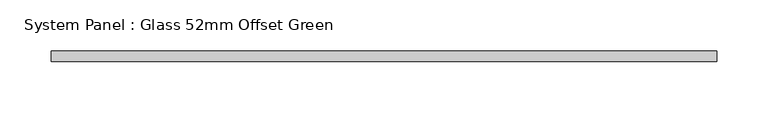
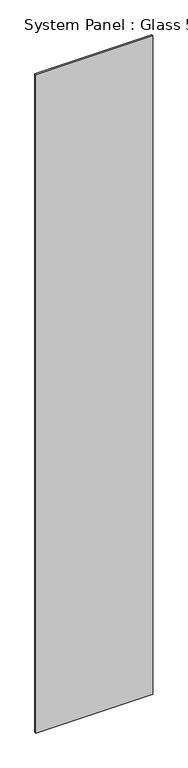
"""IFC4 building model written with IfcOpenShell, lengths in millimetres: plate geometry, System Panel : Glass 52mm Offset Green."""

from ifc_helpers import new_model, si_unit, origin, origin_with_axes, place, context, project, spatial, polyline, outline, extrude, source, transform, mapped, element, save


def system_panel_glass_52mm_offset_green_c9080235(model_context):
    return source(origin(), model_context, "Body", "SweptSolid", [
        extrude(outline(polyline([(324.5459541, -57.0), (-324.5459541, -57.0), (-324.5459541, -47.0), (324.5459541, -47.0), (324.5459541, -57.0)])), origin_with_axes(), (0.0, 0.0, 1.0), 3870.5),
    ])


if __name__ == "__main__":
    model = new_model("IFC4")
    model_context = context("Model", 3, world=origin())
    ifc_project = project(units=[si_unit("LENGTHUNIT", "METRE", prefix="MILLI")], contexts=[model_context])
    site = spatial("IfcSite", under=ifc_project)
    building = spatial("IfcBuilding", under=site)
    placement = place(None, origin())
    system_panel_glass_52mm_offset_green_shape = system_panel_glass_52mm_offset_green_c9080235(model_context)
    element("IfcPlate", 1, ObjectType="System Panel : Glass 52mm Offset Green", at=placement, inside=building, context=model_context, shape_type="MappedRepresentation", body=[
        mapped(system_panel_glass_52mm_offset_green_shape, transform((0.0, 0.0, 0.0), x_axis=(1.0, 0.0, 0.0), y_axis=(0.0, 1.0, 0.0), z_axis=(0.0, 0.0, 1.0))),
    ])
    save(model, "model.ifc")
